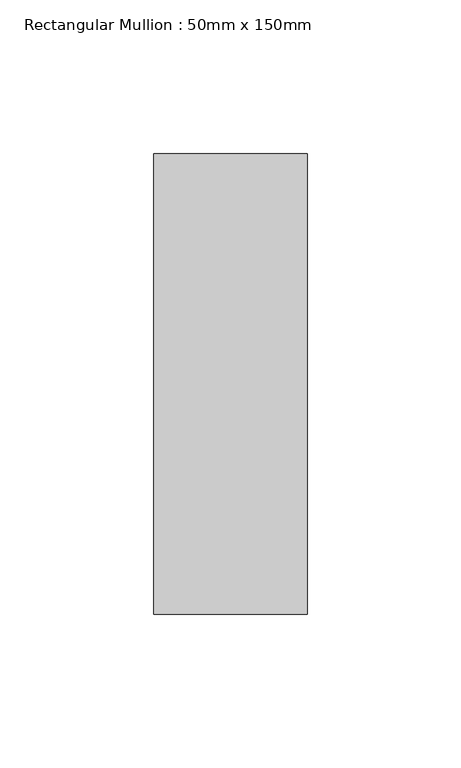
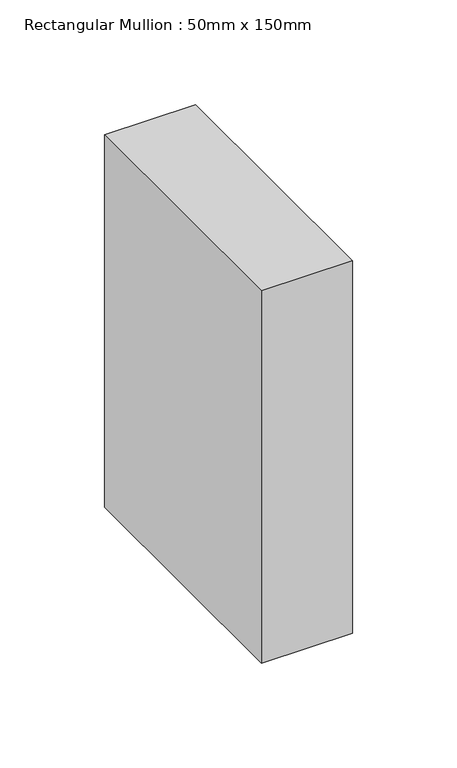
"""IFC4 building model written with IfcOpenShell, lengths in millimetres: member geometry, Rectangular Mullion : 50mm x 150mm."""

from ifc_helpers import new_model, si_unit, frame, origin, place, context, project, spatial, polyline, outline, extrude, source, transform, mapped, element, save


def rectangular_mullion_50mm_x_150mm_14919714(model_context):
    return source(origin(), model_context, "Body", "SweptSolid", [
        extrude(outline(polyline([(0.0, 75.0), (0.0, -75.0), (-50.0, -75.0), (-50.0, 75.0), (0.0, 75.0)])), frame((0.0, 0.0, -216.8646755), z_axis=(0.0, 0.0, 1.0), x_axis=(1.0, 0.0, 0.0)), (0.0, 0.0, 1.0), 216.8646755),
    ])


if __name__ == "__main__":
    model = new_model("IFC4")
    model_context = context("Model", 3, world=origin())
    ifc_project = project(units=[si_unit("LENGTHUNIT", "METRE", prefix="MILLI")], contexts=[model_context])
    site = spatial("IfcSite", under=ifc_project)
    building = spatial("IfcBuilding", under=site)
    placement = place(None, origin())
    rectangular_mullion_50mm_x_150mm_shape = rectangular_mullion_50mm_x_150mm_14919714(model_context)
    element("IfcMember", 1, ObjectType="Rectangular Mullion : 50mm x 150mm", at=placement, inside=building, context=model_context, shape_type="MappedRepresentation", body=[
        mapped(rectangular_mullion_50mm_x_150mm_shape, transform((0.0, 0.0, 0.0), x_axis=(1.0, 0.0, 0.0), y_axis=(0.0, 1.0, 0.0), z_axis=(0.0, 0.0, 1.0))),
    ])
    save(model, "model.ifc")
